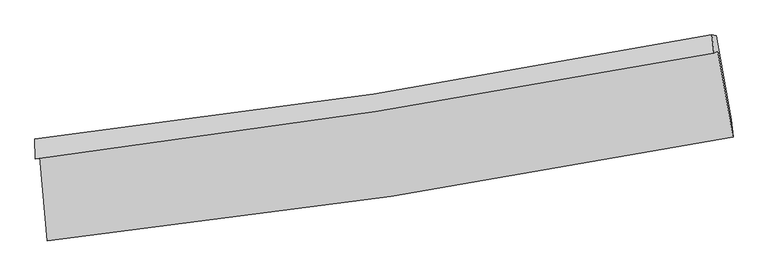
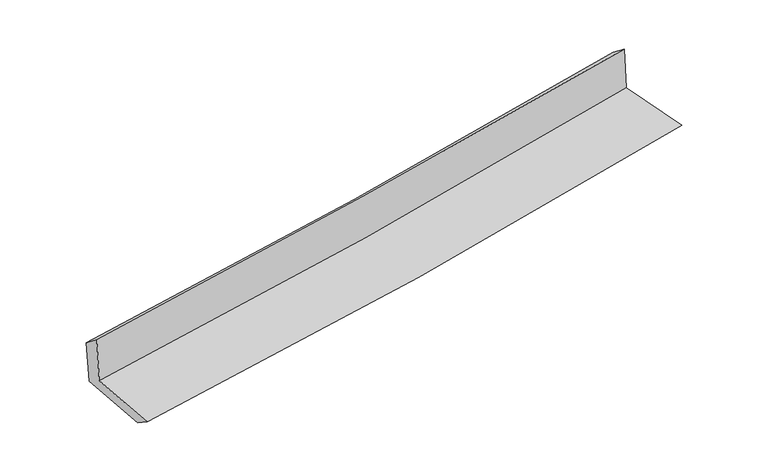
"""IFC4 building model written with IfcOpenShell, lengths in millimetres: proxy geometry."""

from ifc_helpers import new_model, si_unit, frame, origin, place, context, project, spatial, source, transform, mapped, element, save
from ifc_brep_helpers import plane_surface, spline_curve, spline_surface, advanced_brep


def generic_models_84ee0694(model_context):
    return source(origin(), model_context, "Body", "AdvancedBrep", [
        advanced_brep(
        [(-2691.1598785, -1893.3461447, 1648.0716355), (-2630.9228195, -2552.7584405, 1625.4513156), (2764.2602727, -1737.2106035, 2128.0017265), (2643.7711924, -1057.7270332, 2126.0606672), (-2723.4997702, -1910.6667391, 2066.8700013), (2613.591918, -1074.0974119, 2520.627375), (-2727.6517261, -1749.6393764, 1941.8632202), (2597.4596996, -930.9570193, 2409.9069745), (-2696.5939085, -1745.2097881, 1553.0324192), (2631.936612, -936.8550005, 2011.2429374), (-2635.7881797, -2415.5926763, 1535.3951697), (2750.2975942, -1597.3812618, 1998.4198162)],
        [
            (0, 1),
            (1, 2, spline_curve(3, [(-2630.9228195, -2552.7584405, 1625.4513156), (-1727.303372137, -2455.92918091, 1709.326982412), (-826.520210683, -2339.674552106, 1793.085578703), (971.890073366, -2067.934306483, 1960.603039736), (1869.501276149, -1912.339656338, 2044.36124667), (2764.2602727, -1737.2106035, 2128.0017265)], [4, 2, 4], [0.0, 8.930101577637863, 17.88523013454292])),
            (2, 3),
            (3, 0, spline_curve(3, [(2643.7711924, -1057.7270332, 2126.0606672), (1758.498339052, -1224.727189581, 2039.955828527), (870.658634417, -1377.940369071, 1957.019680068), (-907.666049713, -1656.403119451, 1797.707688976), (-1798.136702136, -1781.729643618, 1721.314160411), (-2691.1598785, -1893.3461447, 1648.0716355)], [4, 2, 4], [0.0, 8.955128556905056, 17.88523013454292])),
            (4, 0),
            (3, 5),
            (5, 4, spline_curve(3, [(2613.591918, -1074.0974119, 2520.627375), (1727.08985523, -1241.693828765, 2449.836822628), (838.455850552, -1395.284127793, 2376.572062558), (-940.586612054, -1674.062393425, 2225.305794425), (-1830.983169931, -1799.328536848, 2147.318096913), (-2723.4997702, -1910.6667391, 2066.8700013)], [4, 2, 4], [0.0, 8.906687763764793, 17.788483926187784])),
            (6, 4),
            (5, 7),
            (7, 6, spline_curve(3, [(2597.4596996, -930.9570193, 2409.9069745), (1713.718192504, -1106.137333935, 2341.725667147), (827.463685407, -1262.019520749, 2268.569837689), (-947.587483166, -1534.80592494, 2112.527487314), (-1836.370117785, -1651.817857361, 2029.66873178), (-2727.6517261, -1749.6393764, 1941.8632202)], [4, 2, 4], [0.0, 8.896574432163774, 17.7682855268056])),
            (8, 6),
            (7, 9),
            (9, 8, spline_curve(3, [(2631.936612, -936.8550005, 2011.2429374), (1748.504433625, -1113.903740669, 1937.853199296), (862.118651926, -1269.855791774, 1862.918530066), (-914.074674053, -1539.189634119, 1710.17306717), (-1803.865732405, -1652.689179004, 1632.370897087), (-2696.5939085, -1745.2097881, 1553.0324192)], [4, 2, 4], [0.0, 8.887283127244546, 17.749728883461547])),
            (10, 8),
            (9, 11),
            (11, 10, spline_curve(3, [(2750.2975942, -1597.3812618, 1998.4198162), (1856.526015925, -1770.460986015, 1924.356829751), (960.168064469, -1925.254992269, 1848.683706461), (-835.208296186, -2197.890066577, 1694.33317057), (-1734.212269619, -2315.833198806, 1615.664745109), (-2635.7881797, -2415.5926763, 1535.3951697)], [4, 2, 4], [0.0, 8.936010315391481, 17.8470470814393])),
            (1, 10),
            (11, 2),
        ],
        [
            spline_surface(3, 3, [[(-2691.1598785, -1893.3461447, 1648.0716355), (-1798.136702076, -1781.729643643, 1721.314160548), (-907.666049721, -1656.403119418, 1797.707689101), (870.658634425, -1377.940369104, 1957.019679942), (1758.49833899, -1224.727189449, 2039.955828639), (2643.7711924, -1057.7270332, 2126.0606672)], [(-2671.080858819, -2113.15024331, 1640.531528867), (-1774.525592046, -2006.462822791, 1717.318434513), (-880.617436697, -1884.160263653, 1796.166985692), (904.402447387, -1607.938348234, 1958.214133168), (1795.499317982, -1453.931345093, 2041.424301377), (2683.934219155, -1284.221556614, 2126.70768698)], [(-2651.001839181, -2332.95434189, 1632.991422233), (-1750.914482059, -2231.19600191, 1713.322708478), (-853.568823663, -2111.917407874, 1794.626282255), (938.146260359, -1837.936327349, 1959.408586366), (1832.50029701, -1683.135500795, 2042.892774077), (2724.097245945, -1510.716080086, 2127.35470672)], [(-2630.9228195, -2552.7584405, 1625.4513156), (-1727.303372029, -2455.929181059, 1709.326982444), (-826.520210638, -2339.67455211, 1793.085578846), (971.890073321, -2067.934306479, 1960.603039592), (1869.501276003, -1912.33965644, 2044.361246815), (2764.2602727, -1737.2106035, 2128.0017265)]], [4, 4], [4, 2, 4], [0.0, 2.272554383557597], [0.0, 8.930101577637863, 17.88523013454292]),
            spline_surface(3, 3, [[(-2723.4997702, -1910.6667391, 2066.8700013), (-1830.983169836, -1799.328536774, 2147.318096876), (-940.58661195, -1674.062393486, 2225.3057945), (838.455850448, -1395.284127732, 2376.572062483), (1727.089855297, -1241.693828638, 2449.83682271), (2613.591918, -1074.0974119, 2520.627375)], [(-2712.719806318, -1904.893207608, 1927.270546061), (-1820.034347267, -1793.462239038, 2005.316784794), (-929.613091193, -1668.175968789, 2082.773092696), (849.190111788, -1389.502874849, 2236.721268299), (1737.559349867, -1236.038282248, 2313.209824681), (2623.65167614, -1068.640619007, 2389.105139061)], [(-2701.939842382, -1899.119676192, 1787.671090739), (-1809.085524644, -1787.595941378, 1863.31547263), (-918.639570479, -1662.289544114, 1940.240390905), (859.924373085, -1383.721621987, 2096.870474127), (1748.02884442, -1230.382735839, 2176.582826668), (2633.71143426, -1063.183826093, 2257.582903139)], [(-2691.1598785, -1893.3461447, 1648.0716355), (-1798.136702076, -1781.729643643, 1721.314160548), (-907.666049721, -1656.403119418, 1797.707689101), (870.658634425, -1377.940369104, 1957.019679942), (1758.49833899, -1224.727189449, 2039.955828639), (2643.7711924, -1057.7270332, 2126.0606672)]], [4, 4], [4, 2, 4], [0.0, 1.394927729367484], [0.0, 8.88179616242299, 17.788483926187784]),
            spline_surface(3, 3, [[(-2727.6517261, -1749.6393764, 1941.8632202), (-1836.37011778, -1651.817857448, 2029.668731676), (-947.587483114, -1534.805925069, 2112.527487202), (827.463685355, -1262.019520619, 2268.569837801), (1713.718192616, -1106.137333962, 2341.725667036), (2597.4596996, -930.9570193, 2409.9069745)], [(-2726.267740798, -1803.315163985, 1983.532147204), (-1834.574468464, -1700.988083908, 2068.885186713), (-945.253859384, -1581.224747898, 2150.120256307), (831.127740394, -1306.441056347, 2304.570579367), (1718.175413524, -1151.322832195, 2377.76271892), (2602.837105748, -978.670483508, 2446.813774659)], [(-2724.883755502, -1856.990951515, 2025.201074296), (-1832.778819152, -1750.158310314, 2108.101641839), (-942.920235679, -1627.643570657, 2187.713025396), (834.791795408, -1350.862592005, 2340.571320917), (1722.632634389, -1196.508330404, 2413.799770826), (2608.214511852, -1026.383947692, 2483.720574841)], [(-2723.4997702, -1910.6667391, 2066.8700013), (-1830.983169836, -1799.328536774, 2147.318096876), (-940.58661195, -1674.062393486, 2225.3057945), (838.455850448, -1395.284127732, 2376.572062483), (1727.089855297, -1241.693828638, 2449.83682271), (2613.591918, -1074.0974119, 2520.627375)]], [4, 4], [4, 2, 4], [0.0, 0.5760675996422524], [0.0, 8.871711094641825, 17.7682855268056]),
            spline_surface(3, 3, [[(-2696.5939085, -1745.2097881, 1553.0324192), (-1803.865732434, -1652.689178935, 1632.370897204), (-914.074674078, -1539.189634159, 1710.173067317), (862.118651951, -1269.855791733, 1862.918529919), (1748.50443375, -1113.90374065, 1937.853199201), (2631.936612, -936.8550005, 2011.2429374)], [(-2706.94651437, -1746.686317527, 1682.642686202), (-1814.700527553, -1652.398738433, 1764.803508697), (-925.245610432, -1537.728397791, 1844.291207274), (850.56699641, -1267.243701357, 1998.135632542), (1736.909020016, -1111.314938418, 2072.477355149), (2620.444307844, -934.889006765, 2144.130949769)], [(-2717.29912023, -1748.162846973, 1812.252953198), (-1825.535322661, -1652.10829795, 1897.236120183), (-936.41654676, -1536.267161438, 1978.409347245), (839.015340895, -1264.631610996, 2133.352735178), (1725.31360635, -1108.726136193, 2207.101511089), (2608.952003756, -932.923013035, 2277.018962131)], [(-2727.6517261, -1749.6393764, 1941.8632202), (-1836.37011778, -1651.817857448, 2029.668731676), (-947.587483114, -1534.805925069, 2112.527487202), (827.463685355, -1262.019520619, 2268.569837801), (1713.718192616, -1106.137333962, 2341.725667036), (2597.4596996, -930.9570193, 2409.9069745)]], [4, 4], [4, 2, 4], [0.0, 1.330344113598256], [0.0, 8.862445756217001, 17.749728883461547]),
            spline_surface(3, 3, [[(-2635.7881797, -2415.5926763, 1535.3951697), (-1734.212269555, -2315.833198779, 1615.664744964), (-835.208296224, -2197.89006665, 1694.333170528), (960.168064508, -1925.254992196, 1848.683706503), (1856.526015853, -1770.460986149, 1924.356829794), (2750.2975942, -1597.3812618, 1998.4198162)], [(-2656.056755963, -2192.131713561, 1541.274252875), (-1757.430090511, -2094.785192158, 1621.233462385), (-861.497088834, -1978.323255804, 1699.613136124), (927.484926997, -1706.788592026, 1853.428647642), (1820.518821849, -1551.608570969, 1928.855619617), (2710.843933497, -1377.205841353, 2002.694189955)], [(-2676.325332237, -1968.670750839, 1547.153336025), (-1780.647911478, -1873.737185556, 1626.802179783), (-887.785881468, -1758.756445005, 1704.89310172), (894.801789462, -1488.322191903, 1858.173588779), (1784.511627754, -1332.75615583, 1933.354409377), (2671.390272703, -1157.030420947, 2006.968563645)], [(-2696.5939085, -1745.2097881, 1553.0324192), (-1803.865732434, -1652.689178935, 1632.370897204), (-914.074674078, -1539.189634159, 1710.173067317), (862.118651951, -1269.855791733, 1862.918529919), (1748.50443375, -1113.90374065, 1937.853199201), (2631.936612, -936.8550005, 2011.2429374)]], [4, 4], [4, 2, 4], [0.0, 2.175679314371023], [0.0, 8.911036766047818, 17.8470470814393]),
            spline_surface(3, 3, [[(-2630.9228195, -2552.7584405, 1625.4513156), (-1727.303372029, -2455.929181059, 1709.326982444), (-826.520210638, -2339.67455211, 1793.085578846), (971.890073321, -2067.934306479, 1960.603039592), (1869.501276003, -1912.33965644, 2044.361246815), (2764.2602727, -1737.2106035, 2128.0017265)], [(-2632.544606231, -2507.03651911, 1595.432600292), (-1729.606337869, -2409.230520309, 1678.106236609), (-829.416239185, -2292.413056956, 1760.1681094), (967.982737031, -2020.374535051, 1923.296595223), (1865.176189269, -1865.046766363, 2004.359774451), (2759.606046517, -1690.600822953, 2084.807756376)], [(-2634.166392969, -2461.31459769, 1565.413885008), (-1731.909303715, -2362.531859529, 1646.885490799), (-832.312267677, -2245.151561803, 1727.250639973), (964.075400797, -1972.814763624, 1885.990150872), (1860.851102586, -1817.753876226, 1964.358302158), (2754.951820383, -1643.991042347, 2041.613786324)], [(-2635.7881797, -2415.5926763, 1535.3951697), (-1734.212269555, -2315.833198779, 1615.664744964), (-835.208296224, -2197.89006665, 1694.333170528), (960.168064508, -1925.254992196, 1848.683706503), (1856.526015853, -1770.460986149, 1924.356829794), (2750.2975942, -1597.3812618, 1998.4198162)]], [4, 4], [4, 2, 4], [0.0, 0.5816812227336216], [0.0, 8.968609699461929, 17.96235429879622]),
            plane_surface(frame((2666.8862148, -1222.3713884, 2199.0432495), z_axis=(0.9812600042086334, 0.17423648824560753, 0.08228274609121453), x_axis=(-0.08615016991074524, 0.014737749021282335, 0.9961731511028268))),
            plane_surface(frame((-2684.2693804, -2044.5355275, 1728.4472936), z_axis=(-0.9928828378284958, -0.08794458873842438, -0.08030827888370143), x_axis=(-0.09091780304542793, 0.9952729796371208, 0.03414160355988395))),
        ],
        [
            (0, [[1, 2, 3, 4]]),
            (1, [[5, -4, 6, 7]]),
            (2, [[8, -7, 9, 10]]),
            (3, [[11, -10, 12, 13]]),
            (4, [[14, -13, 15, 16]]),
            (5, [[17, -16, 18, -2]]),
            (6, [[-12, -9, -6, -3, -18, -15]]),
            (7, [[-1, -5, -8, -11, -14, -17]]),
        ],
    ),
    ])


if __name__ == "__main__":
    model = new_model("IFC4")
    model_context = context("Model", 3, world=origin())
    ifc_project = project(units=[si_unit("LENGTHUNIT", "METRE", prefix="MILLI")], contexts=[model_context])
    site = spatial("IfcSite", under=ifc_project)
    building = spatial("IfcBuilding", under=site)
    placement = place(None, origin())
    generic_models_shape = generic_models_84ee0694(model_context)
    element("IfcBuildingElementProxy", 1, Name="Generic Models", at=placement, inside=building, context=model_context, shape_type="MappedRepresentation", body=[
        mapped(generic_models_shape, transform((0.0, 0.0, 0.0), x_axis=(1.0, 0.0, 0.0), y_axis=(0.0, 1.0, 0.0), z_axis=(0.0, 0.0, 1.0))),
    ])
    save(model, "model.ifc")
